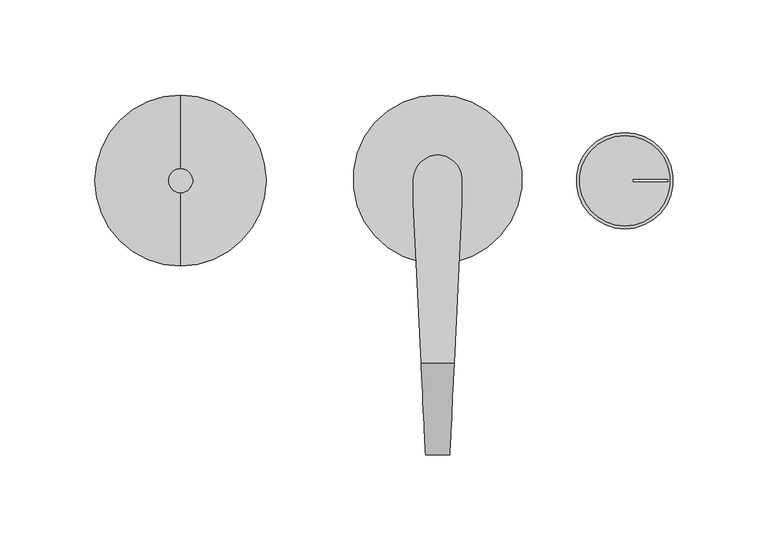
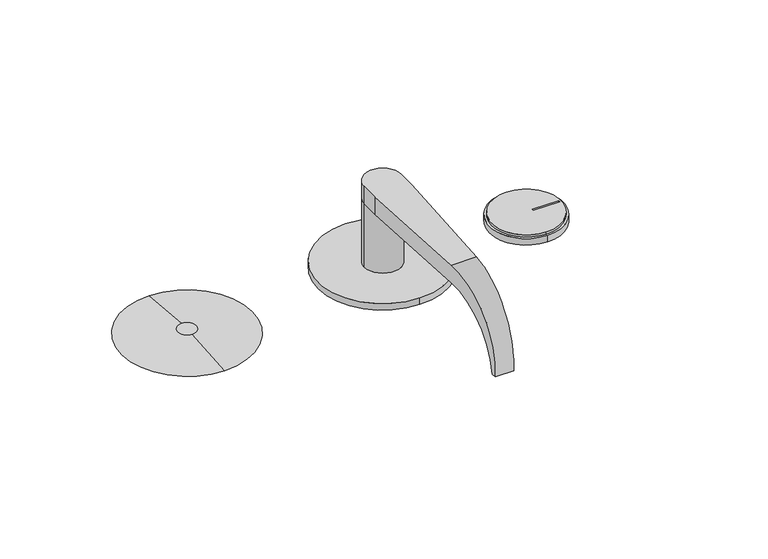
"""IFC4 building model written with IfcOpenShell, lengths in millimetres: proxy geometry."""

from ifc_helpers import new_model, si_unit, point, frame, frame_2d, origin, place, context, project, spatial, polyline, circle_curve, ellipse_curve, trimmed, segment, composite_curve, outline, extrude, source, transform, mapped, element, save
from ifc_brep_helpers import plane_surface, cylinder_surface, revolved_surface, advanced_brep


def security_devices_9c26af49(model_context):
    return source(origin(), model_context, "Body", "SolidModel", [
        extrude(outline(composite_curve([segment(trimmed(circle_curve(frame_2d((99.5344007, -0.0063393)), 23.8125), [point((99.5344007, -23.8188393))], [point((99.5344007, 23.8061607))], False, "CARTESIAN"), True, "CONTINUOUS"), segment(trimmed(circle_curve(frame_2d((99.5344007, -0.0063393)), 23.8125), [point((99.5344007, 23.8061607))], [point((99.5344007, -23.8188393))], False, "CARTESIAN"), True, "CONTINUOUS")], self_intersect=False), holes=[polyline([(103.877612, 0.5953125), (103.877612, -0.5479098), (122.117482, -0.5479098), (122.117482, 0.5953125), (103.877612, 0.5953125)])]), frame((0.0, 0.0, 4.7625058), z_axis=(0.0, 0.0, 1.0), x_axis=(1.0, 0.0, 0.0)), (0.0, 0.0, 1.0), 1.5875),
        extrude(outline(composite_curve([segment(trimmed(circle_curve(frame_2d((99.4551409, -0.0278818)), 25.4), [point((99.4551409, -25.4278818))], [point((99.4551409, 25.3721182))], False, "CARTESIAN"), True, "CONTINUOUS"), segment(trimmed(circle_curve(frame_2d((99.4551409, -0.0278818)), 25.4), [point((99.4551409, 25.3721182))], [point((99.4551409, -25.4278818))], False, "CARTESIAN"), True, "CONTINUOUS")], self_intersect=False), holes=[polyline([(103.877612, 0.5953125), (103.877612, -0.5479098), (122.117482, -0.5479098), (122.117482, 0.5953125), (103.877612, 0.5953125)])]), frame((0.0, 0.0, 5.8e-06), z_axis=(0.0, 0.0, 1.0), x_axis=(1.0, 0.0, 0.0)), (0.0, 0.0, 1.0), 4.7625),
        advanced_brep(
        [(-134.3787, -6.35, 3.175), (-134.3787, 6.35, 3.175), (-134.3787, -45.0088, 0.0), (-134.3787, 45.0088, 0.0)],
        [
            (0, 1, circle_curve(frame((-134.3787, 0.0, 3.175), z_axis=(0.0, 0.0, 1.0), x_axis=(0.0, -1.0, 0.0)), 6.35)),
            (1, 0, circle_curve(frame((-134.3787, 0.0, 3.175), z_axis=(0.0, 0.0, 1.0), x_axis=(0.0, 1.0, 0.0)), 6.35)),
            (2, 3, circle_curve(frame((-134.3787, 0.0, 0.0), z_axis=(0.0, 0.0, -1.0), x_axis=(0.0, 1.0, 0.0)), 45.0088)),
            (3, 2, circle_curve(frame((-134.3787, 0.0, 0.0), z_axis=(0.0, 0.0, -1.0), x_axis=(0.0, -1.0, 0.0)), 45.0088)),
            (3, 1),
            (0, 2),
        ],
        [
            plane_surface(frame((-134.3787, 0.0, 3.175), z_axis=(0.0, 0.0, 1.0), x_axis=(1.0, 0.0, 0.0))),
            plane_surface(frame((-134.3787, 0.0, 0.0), z_axis=(0.0, 0.0, -1.0), x_axis=(1.0, 0.0, 0.0))),
            revolved_surface(polyline([(-134.3787, -6.3499995835972864, 3.175), (-134.3787, -45.0088, 0.0)]), (-134.3787, 0.0, 3.6965177), (0.0, 0.0, -1.0)),
            revolved_surface(polyline([(-134.3787, 6.3499995835972864, 3.175), (-134.3787, 45.0088, 0.0)]), (-134.3787, 0.0, 3.6965177), (0.0, 0.0, -1.0)),
        ],
        [
            (0, [[1, 2]]),
            (1, [[3, 4]]),
            (2, [[-4, 5, -1, 6]]),
            (3, [[-3, -6, -2, -5]]),
        ],
    ),
        advanced_brep(
        [(0.9422676, -43.7299898, 4.7622), (0.9422676, 45.1700102, 4.7622), (13.6502825, 0.7189698, 4.7622), (-11.7497175, 0.7189698, 4.7622), (0.9422676, -43.7299898, -0.0003), (0.9422676, 45.1700102, -0.0003), (-11.7497175, 0.7315259, 50.7997), (-11.7497175, -11.9684741, 50.7997), (-11.7497175, -11.9684741, 63.4997), (-11.7497175, 0.7315259, 63.4997), (13.6502825, -11.9684741, 50.7997), (13.6502825, 0.7315259, 50.7997), (13.6502825, 0.7189698, 63.4997), (13.6502825, -11.9684741, 63.4997), (9.618535, -96.1059741, 50.7997), (-7.71797, -96.1059741, 50.7997), (-7.71797, -96.1059741, 63.4997), (9.618535, -96.1059741, 63.4997), (-5.3997175, -144.4849891, 19.1808168), (-5.3997175, -144.4849891, 10.688597), (7.3002825, -144.4849891, 10.688597), (7.3002825, -144.4849891, 19.1808168), (-5.5533138, -141.2796266, 10.688597), (7.4538789, -141.2796266, 10.688597)],
        [
            (0, 1, circle_curve(frame((0.9422676, 0.7200102, 4.7622), z_axis=(0.0, 0.0, 1.0), x_axis=(0.0, 1.0, 0.0)), 44.45)),
            (1, 0, circle_curve(frame((0.9422676, 0.7200102, 4.7622), z_axis=(0.0, 0.0, 1.0), x_axis=(0.0, 1.0, 0.0)), 44.45)),
            (2, 3, circle_curve(frame((0.9502825, 0.7189698, 4.7622), z_axis=(0.0, 0.0, -1.0), x_axis=(0.0, 1.0, 0.0)), 12.7)),
            (3, 2, circle_curve(frame((0.9502825, 0.7189698, 4.7622), z_axis=(0.0, 0.0, -1.0), x_axis=(0.0, 1.0, 0.0)), 12.7)),
            (4, 5, circle_curve(frame((0.9422676, 0.7200102, -0.0003), z_axis=(0.0, 0.0, -1.0), x_axis=(0.0, 1.0, 0.0)), 44.45)),
            (5, 4, circle_curve(frame((0.9422676, 0.7200102, -0.0003), z_axis=(0.0, 0.0, -1.0), x_axis=(0.0, 1.0, 0.0)), 44.45)),
            (0, 4),
            (5, 1),
            (6, 7),
            (7, 8),
            (8, 9),
            (9, 6),
            (10, 11),
            (11, 12),
            (12, 13),
            (13, 10),
            (6, 11, circle_curve(frame((0.9502825, 0.7189698, 50.7997), z_axis=(0.0, 0.0, 1.0), x_axis=(0.0, 1.0, 0.0)), 12.7)),
            (10, 14),
            (14, 15),
            (15, 7),
            (16, 17),
            (17, 13),
            (12, 9, circle_curve(frame((0.9502825, 0.7189698, 63.4997), z_axis=(0.0, 0.0, 1.0), x_axis=(0.0, 1.0, 0.0)), 12.7)),
            (8, 16),
            (16, 18, ellipse_curve(frame((-7.71797, -96.1059741, 14.9347069), z_axis=(0.9988538794169152, 0.047863635191853514, 0.0), x_axis=(-0.04786363519185008, 0.9988538794169152, 0.0)), 48.6207182, 48.564993)),
            (18, 19, circle_curve(frame((-5.3997175, -96.1059741, 14.9347069), z_axis=(1.0, 0.0, 0.0), x_axis=(0.0, -1.0, 0.0)), 48.564993)),
            (19, 20),
            (20, 21, circle_curve(frame((7.3002825, -96.1059741, 14.9347069), z_axis=(-1.0, 0.0, 0.0), x_axis=(0.0, -1.0, 0.0)), 48.564993)),
            (21, 17, ellipse_curve(frame((9.618535, -96.1059741, 14.9347069), z_axis=(-0.9988538794169147, 0.047863635191862944, 0.0), x_axis=(-0.04786363519185988, -0.998853879416915, 0.0)), 48.6207182, 48.564993)),
            (19, 22),
            (22, 23),
            (23, 20),
            (22, 15, ellipse_curve(frame((-7.71797, -96.1059741, 5.3065672), z_axis=(-0.9988538794169152, -0.047863635191853514, 0.0), x_axis=(0.04786363519185008, -0.9988538794169152, 0.0)), 45.5453332, 45.4931328)),
            (14, 23, ellipse_curve(frame((9.618535, -96.1059741, 5.3065672), z_axis=(0.9988538794169147, -0.047863635191862944, 0.0), x_axis=(0.04786363519185988, 0.998853879416915, 0.0)), 45.5453332, 45.4931328)),
            (21, 20),
            (18, 19),
            (6, 3),
            (2, 11),
            (6, 11, circle_curve(frame((0.9502825, 0.7189698, 50.7997), z_axis=(0.0, 0.0, -1.0), x_axis=(0.0, 1.0, 0.0)), 12.7)),
        ],
        [
            plane_surface(frame((0.9422676, 45.1700102, 4.7622), z_axis=(0.0, 0.0, 1.0), x_axis=(-1.0, 0.0, 0.0))),
            plane_surface(frame((0.9422676, 45.1700102, -0.0003), z_axis=(0.0, 0.0, -1.0), x_axis=(1.0, 0.0, 0.0))),
            cylinder_surface(frame((0.9422676, 0.7200102, -0.0003), z_axis=(0.0, 0.0, 1.0), x_axis=(0.0, 1.0, 0.0)), 44.45),
            plane_surface(frame((-11.7497175, -141.5991068, 5.3065672), z_axis=(-1.0, 0.0, 0.0), x_axis=(0.0, 0.0, -1.0))),
            plane_surface(frame((13.6502825, -141.5991068, 5.3065672), z_axis=(1.0, 0.0, 0.0), x_axis=(0.0, 0.0, 1.0))),
            plane_surface(frame((-11.7497175, -24.3071745, 50.7997), z_axis=(0.0, 0.0, -1.0), x_axis=(1.0, 0.0, 0.0))),
            plane_surface(frame((-11.7497175, -96.1059741, 63.4997), z_axis=(0.0, 0.0, 1.0), x_axis=(1.0, 0.0, 0.0))),
            cylinder_surface(frame((13.6502825, -96.1059741, 14.9347069), z_axis=(-1.0, 0.0, 0.0), x_axis=(0.0, -1.0, 0.0)), 48.564993),
            plane_surface(frame((-11.7497175, -141.2796266, 10.688597), z_axis=(0.0, 0.0, -1.0), x_axis=(1.0, 0.0, 0.0))),
            revolved_surface(polyline([(11.798500212976503, -141.59910689999998, 5.3065672), (-9.897935212976058, -141.59910689999998, 5.3065672)]), (13.6502825, -96.1059741, 5.3065672), (1.0, 0.0, 0.0)),
            plane_surface(frame((14.2585473, 0.7252479, 66.7497141), z_axis=(0.9988538794169147, -0.047863635191862944, 0.0), x_axis=(0.0, 0.0, -1.0))),
            plane_surface(frame((7.3002825, -144.4849891, 66.7497141), z_axis=(1.0, 0.0, 0.0), x_axis=(0.0, 0.0, -1.0))),
            plane_surface(frame((-5.3997175, -147.6698877, 66.7497141), z_axis=(-1.0, 0.0, 0.0), x_axis=(0.0, 0.0, -1.0))),
            plane_surface(frame((-5.3997175, -144.4849891, 66.7497141), z_axis=(-0.9988538794169152, -0.047863635191853514, 0.0), x_axis=(0.0, 0.0, -1.0))),
            cylinder_surface(frame((0.9502825, 0.7189698, 4.7622), z_axis=(0.0, 0.0, 1.0), x_axis=(0.0, 1.0, 0.0)), 12.7),
            cylinder_surface(frame((0.9502825, 0.7189698, 50.7997), z_axis=(0.0, 0.0, -1.0), x_axis=(0.0, 1.0, 0.0)), 12.7),
        ],
        [
            (0, [[1, 2], [3, 4]]),
            (1, [[5, 6]]),
            (2, [[-1, 7, -6, 8]]),
            (2, [[-2, -8, -5, -7]]),
            (3, [[9, 10, 11, 12]]),
            (4, [[13, 14, 15, 16]]),
            (5, [[17, -13, 18, 19, 20, -9]]),
            (6, [[21, 22, -15, 23, -11, 24]]),
            (7, [[-21, 25, 26, 27, 28, 29]]),
            (8, [[-27, 30, 31, 32]]),
            (9, [[-31, 33, -19, 34]]),
            (10, [[35, -32, -34, -18, -16, -22, -29]]),
            (11, [[-35, -28]]),
            (12, [[36, -26]]),
            (13, [[-36, -25, -24, -10, -20, -33, -30]]),
            (14, [[-17, 37, -3, 38]]),
            (14, [[-37, 39, -38, -4]]),
            (15, [[-12, -23, -14, -39]]),
        ],
    ),
    ])


if __name__ == "__main__":
    model = new_model("IFC4")
    model_context = context("Model", 3, world=origin())
    ifc_project = project(units=[si_unit("LENGTHUNIT", "METRE", prefix="MILLI")], contexts=[model_context])
    site = spatial("IfcSite", under=ifc_project)
    building = spatial("IfcBuilding", under=site)
    placement = place(None, origin())
    security_devices_shape = security_devices_9c26af49(model_context)
    element("IfcBuildingElementProxy", 1, Name="Security Devices", at=placement, inside=building, context=model_context, shape_type="MappedRepresentation", body=[
        mapped(security_devices_shape, transform((0.0, 0.0, 0.0), x_axis=(1.0, 0.0, 0.0), y_axis=(0.0, 1.0, 0.0), z_axis=(0.0, 0.0, 1.0))),
    ])
    save(model, "model.ifc")
